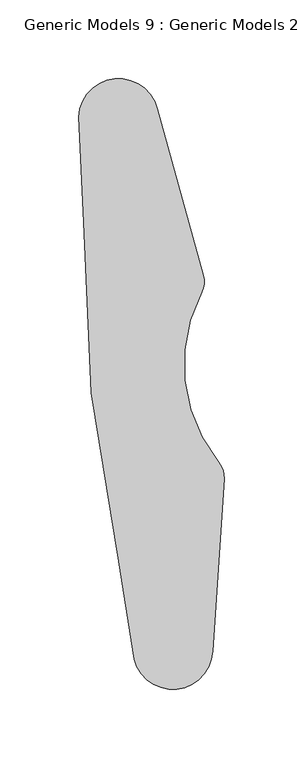
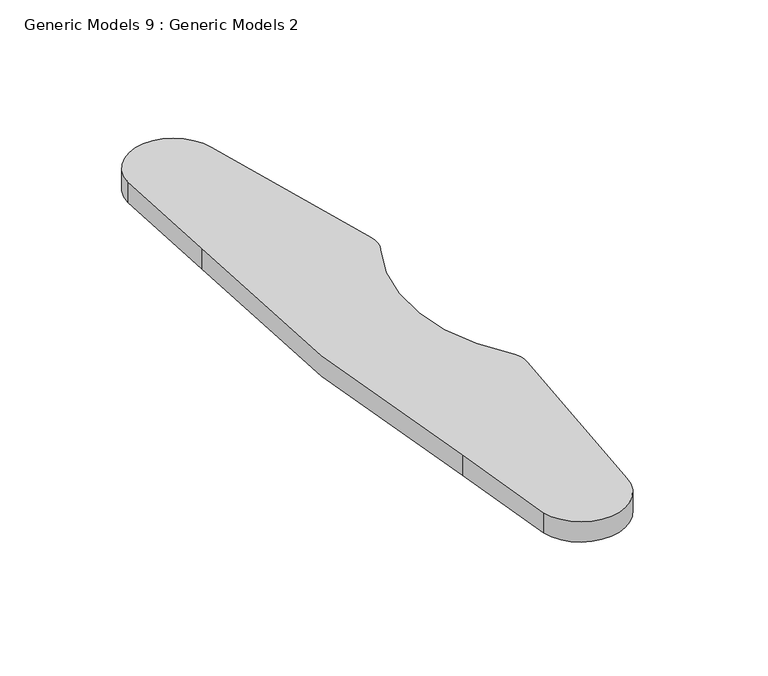
"""IFC4 building model written with IfcOpenShell, lengths in millimetres: proxy geometry, Generic Models 9 : Generic Models 2."""

from ifc_helpers import new_model, si_unit, point, frame, frame_2d, origin, place, context, project, spatial, polyline, circle_curve, trimmed, segment, composite_curve, outline, extrude, source, transform, mapped, element, save


def generic_models_9_generic_models_2_1d8da008(model_context):
    return source(origin(), model_context, "Body", "SweptSolid", [
        extrude(outline(composite_curve([segment(trimmed(circle_curve(frame_2d((51397.38706, -20182.5900651)), 25.2761356), [point((51422.6440207, -20183.5744279))], [point((51372.8463569, -20188.6429091))], False, "CARTESIAN"), True, "CONTINUOUS"), segment(polyline([(51372.8463569, -20188.6429091), (51363.2909546, -20126.7086158)]), True, "CONTINUOUS"), segment(trimmed(circle_curve(frame_2d((52273.9256942, -19922.8643299)), 933.1710035), [point((51363.2909546, -20126.7086158))], [point((51340.8231358, -19911.5622333))], False, "CARTESIAN"), True, "CONTINUOUS"), segment(polyline([(51340.8231358, -19911.5622333), (51337.8600147, -19844.9032336)]), True, "CONTINUOUS"), segment(trimmed(circle_curve(frame_2d((51363.1169754, -19845.8875964)), 25.2761356), [point((51337.8600147, -19844.9032336))], [point((51387.6576786, -19839.8347524))], False, "CARTESIAN"), True, "CONTINUOUS"), segment(polyline([(51387.6576786, -19839.8347524), (51416.8306903, -19945.2785527)]), True, "CONTINUOUS"), segment(trimmed(circle_curve(frame_2d((51402.3737949, -19949.2783248)), 15.0), [point((51416.8306903, -19945.2785527))], [point((51415.6736746, -19956.2146929))], False, "CARTESIAN"), True, "CONTINUOUS"), segment(trimmed(circle_curve(frame_2d((51502.9788668, -20001.7475071)), 98.4653938), [point((51415.6736746, -19956.2146929))], [point((51426.6377612, -20063.9364881))], True, "CARTESIAN"), True, "CONTINUOUS"), segment(trimmed(circle_curve(frame_2d((51415.0081263, -20073.4102197)), 15.0), [point((51426.6377612, -20063.9364881))], [point((51429.9744185, -20074.4152555))], False, "CARTESIAN"), True, "CONTINUOUS"), segment(polyline([(51429.9744185, -20074.4152555), (51422.6440207, -20183.5744279)]), True, "CONTINUOUS")], self_intersect=False)), frame((0.0, 0.0, 800.1), z_axis=(0.0, 0.0, 1.0), x_axis=(1.0, 0.0, 0.0)), (0.0, 0.0, 1.0), 12.0543013),
    ])


if __name__ == "__main__":
    model = new_model("IFC4")
    model_context = context("Model", 3, world=origin())
    ifc_project = project(units=[si_unit("LENGTHUNIT", "METRE", prefix="MILLI")], contexts=[model_context])
    site = spatial("IfcSite", under=ifc_project)
    building = spatial("IfcBuilding", under=site)
    placement = place(None, origin())
    generic_models_9_generic_models_2_shape = generic_models_9_generic_models_2_1d8da008(model_context)
    element("IfcBuildingElementProxy", 1, Name="Generic Models 9 : Generic Models 2", ObjectType="Generic Models 9 : Generic Models 2", at=placement, inside=building, context=model_context, shape_type="MappedRepresentation", body=[
        mapped(generic_models_9_generic_models_2_shape, transform((0.0, 0.0, 0.0), x_axis=(1.0, 0.0, 0.0), y_axis=(0.0, 1.0, 0.0), z_axis=(0.0, 0.0, 1.0))),
    ])
    save(model, "model.ifc")
